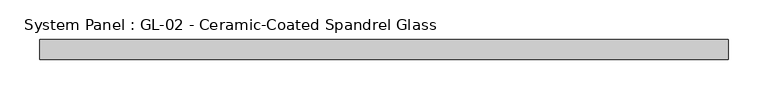
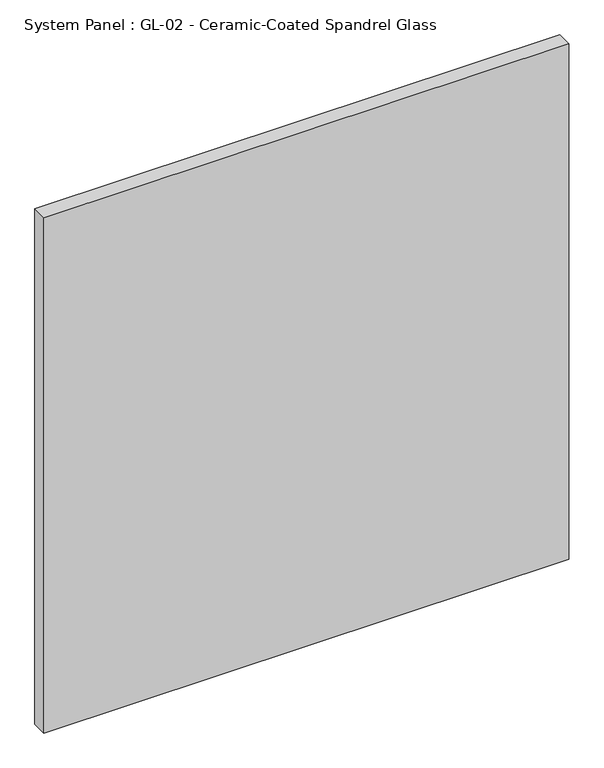
"""IFC4 building model written with IfcOpenShell, lengths in millimetres: plate geometry, System Panel : GL-02 - Ceramic-Coated Spandrel Glass."""

import ifcopenshell
import ifcopenshell.guid

model = None  # the IFC model being written
_history = None  # IfcOwnerHistory: only IFC2X3 demands one
_inside = {}  # id of a spatial element -> (the spatial element, [elements in it])
_under = {}  # id of a project, library or spatial element -> (it, [spatial elements below it])
_declared = {}  # id of a project -> (the project, [libraries it declares])
_typed = {}  # id of a type object -> (the type object, [elements of that type])
_made_of = {}  # id of a material, layer set ... -> (it, [elements and type objects made of it])


def new_model(schema):
    """Start an empty IFC model of exactly this schema.

    Asked for "IFC4X3", IfcOpenShell would pick the latest addendum, in which some entities
    have other attributes; the version numbers below select the first issue.
    IFC2X3 requires an IfcOwnerHistory on every rooted entity: one is made here for all.
    """
    global model, _history
    if schema == "IFC4X3":
        model = ifcopenshell.file(schema_version=(4, 3, 0, 0))
    else:
        model = ifcopenshell.file(schema=schema)
    _inside.clear()
    _under.clear()
    _declared.clear()
    _typed.clear()
    _made_of.clear()
    _history = None
    if model.schema == "IFC2X3":
        org = make("IfcOrganization", Name="unknown")
        user = make(
            "IfcPersonAndOrganization",
            ThePerson=make("IfcPerson", FamilyName="unknown"),
            TheOrganization=org,
        )
        app = make(
            "IfcApplication",
            ApplicationDeveloper=org,
            Version="unknown",
            ApplicationFullName="unknown",
            ApplicationIdentifier="unknown",
        )
        _history = make(
            "IfcOwnerHistory",
            OwningUser=user,
            OwningApplication=app,
            ChangeAction="ADDED",
            CreationDate=0,
        )
    return model


def make(cls, **values):
    """One entity of the class cls with the attributes given. An attribute that is None is left unset."""
    return model.create_entity(
        cls, **{name: value for name, value in values.items() if value is not None}
    )


def rooted(cls, **values):
    """An entity with a GlobalId (a new one), such as an element, a storey or a relation."""
    return make(cls, GlobalId=ifcopenshell.guid.new(), OwnerHistory=_history, **values)


def si_unit(unit_type, name, prefix=None):
    """IfcSIUnit, for example si_unit("LENGTHUNIT", "METRE", prefix="MILLI")."""
    return make("IfcSIUnit", UnitType=unit_type, Prefix=prefix, Name=name)


def assignment(units):
    """IfcUnitAssignment: the units of a project."""
    return None if units is None else make("IfcUnitAssignment", Units=units)


def point(xyz):
    """IfcCartesianPoint."""
    return None if xyz is None else make("IfcCartesianPoint", Coordinates=xyz)


def direction(xyz):
    """IfcDirection."""
    return None if xyz is None else make("IfcDirection", DirectionRatios=xyz)


def frame(location, z_axis=None, x_axis=None):
    """IfcAxis2Placement3D, a coordinate frame: its origin and axes. An axis left out is left unset."""
    return make(
        "IfcAxis2Placement3D",
        Location=point(location),
        Axis=direction(z_axis),
        RefDirection=direction(x_axis),
    )


def origin():
    """The frame at (0, 0, 0) with its axes left unset."""
    return frame((0.0, 0.0, 0.0))


def origin_with_axes():
    """The frame at (0, 0, 0) with the z axis (0, 0, 1) and the x axis (1, 0, 0) written out."""
    return frame((0.0, 0.0, 0.0), z_axis=(0.0, 0.0, 1.0), x_axis=(1.0, 0.0, 0.0))


def place(relative_to, where):
    """IfcLocalPlacement: puts the frame where relative to a parent placement (None: the world)."""
    return make(
        "IfcLocalPlacement", PlacementRelTo=relative_to, RelativePlacement=where
    )


def context(
    kind, dimensions, precision=None, world=None, true_north=None, identifier=None
):
    """IfcGeometricRepresentationContext, for example the 3D "Model" context."""
    return make(
        "IfcGeometricRepresentationContext",
        ContextIdentifier=identifier,
        ContextType=kind,
        CoordinateSpaceDimension=dimensions,
        Precision=precision,
        WorldCoordinateSystem=world,
        TrueNorth=true_north,
    )


def project(units=None, contexts=None):
    """IfcProject with its units and contexts."""
    return rooted(
        "IfcProject",
        Name="project",
        RepresentationContexts=contexts,
        UnitsInContext=assignment(units),
    )


def spatial(cls, under=None, at=None, **own):
    """A site, building, storey or space (cls), placed at a placement, below another one or the project."""
    s = rooted(cls, ObjectPlacement=at, **own)
    if under is not None:
        _under.setdefault(under.id(), (under, []))[1].append(s)
    return s


def polyline(points):
    """IfcPolyline through the points."""
    return make("IfcPolyline", Points=[point(p) for p in points])


def outline(outer, holes=None, kind="AREA"):
    """IfcArbitraryClosedProfileDef: a profile drawn as a closed curve; with holes, ...WithVoids."""
    if holes is None:
        return make("IfcArbitraryClosedProfileDef", ProfileType=kind, OuterCurve=outer)
    return make(
        "IfcArbitraryProfileDefWithVoids",
        ProfileType=kind,
        OuterCurve=outer,
        InnerCurves=holes,
    )


def extrude(swept, where, along, depth):
    """IfcExtrudedAreaSolid: the profile swept, set in the frame where, extruded along a direction by depth."""
    return make(
        "IfcExtrudedAreaSolid",
        SweptArea=swept,
        Position=where,
        ExtrudedDirection=direction(along),
        Depth=depth,
    )


def shape(context_of_items, identifier, shape_type, items):
    """IfcShapeRepresentation: the items that make up one representation, for example the "Body"."""
    return make(
        "IfcShapeRepresentation",
        ContextOfItems=context_of_items,
        RepresentationIdentifier=identifier,
        RepresentationType=shape_type,
        Items=items,
    )


def source(mapping_origin, context_of_items, identifier, shape_type, items):
    """IfcRepresentationMap: a shape defined once, which mapped items show again and again."""
    return make(
        "IfcRepresentationMap",
        MappingOrigin=mapping_origin,
        MappedRepresentation=shape(context_of_items, identifier, shape_type, items),
    )


def transform(
    local_origin,
    x_axis=None,
    y_axis=None,
    z_axis=None,
    scale=None,
    scale2=None,
    scale3=None,
    uniform=True,
):
    """IfcCartesianTransformationOperator3D, or its non-uniform kind. x_axis, y_axis, z_axis: its Axis1, 2, 3."""
    if uniform:
        return make(
            "IfcCartesianTransformationOperator3D",
            Axis1=direction(x_axis),
            Axis2=direction(y_axis),
            LocalOrigin=point(local_origin),
            Scale=scale,
            Axis3=direction(z_axis),
        )
    return make(
        "IfcCartesianTransformationOperator3DnonUniform",
        Axis1=direction(x_axis),
        Axis2=direction(y_axis),
        LocalOrigin=point(local_origin),
        Scale=scale,
        Axis3=direction(z_axis),
        Scale2=scale2,
        Scale3=scale3,
    )


def mapped(mapping_source, mapping_target):
    """IfcMappedItem: shows the shape of a source again, moved by a transform."""
    return make(
        "IfcMappedItem", MappingSource=mapping_source, MappingTarget=mapping_target
    )


def made_of(thing, what):
    """Note that an element or type object is made of a material, layer set ...; save() writes the relation."""
    if what is not None:
        _made_of.setdefault(what.id(), (what, []))[1].append(thing)
    return thing


def element(
    cls,
    number,
    at=None,
    inside=None,
    cuts=None,
    type_object=None,
    material=None,
    context=None,
    identifier="Body",
    shape_type=None,
    held_by="IfcProductDefinitionShape",
    body=None,
    shapes=None,
    **own,
):
    """One element of the class cls, such as IfcWall. Its Tag is "e" and its number.

    at: its placement. inside: the storey or other place that contains it. cuts: it is an
    opening in that element (IfcRelVoidsElement). A single representation is given by context,
    identifier, shape_type and body (its items); several are given by shapes. held_by: the class
    of the entity that holds the representations. save() writes the other relations.
    """
    e = rooted(cls, Tag="e%d" % number, ObjectPlacement=at, **own)
    if body is not None:
        shapes = [shape(context, identifier, shape_type, body)]
    if shapes is not None:
        e.Representation = make(held_by, Representations=shapes)
    if inside is not None:
        _inside.setdefault(inside.id(), (inside, []))[1].append(e)
    if cuts is not None:
        rooted(
            "IfcRelVoidsElement", RelatingBuildingElement=cuts, RelatedOpeningElement=e
        )
    if type_object is not None:
        _typed.setdefault(type_object.id(), (type_object, []))[1].append(e)
    return made_of(e, material)


def aggregate(whole, parts):
    """IfcRelAggregates: a whole, such as a stair, and the parts it consists of."""
    return rooted("IfcRelAggregates", RelatingObject=whole, RelatedObjects=parts)


def save(model, path):
    """Write the relations noted so far, then the file.

    IfcRelAggregates (storeys below a building ...), IfcRelContainedInSpatialStructure (elements
    in a storey), IfcRelDefinesByType, IfcRelAssociatesMaterial and IfcRelDeclares: one each for
    every whole, place, type object, material and project.
    """
    for whole, parts in _under.values():
        aggregate(whole, parts)
    for where, things in _inside.values():
        rooted(
            "IfcRelContainedInSpatialStructure",
            RelatedElements=things,
            RelatingStructure=where,
        )
    for kind, things in _typed.values():
        rooted("IfcRelDefinesByType", RelatedObjects=things, RelatingType=kind)
    for what, things in _made_of.values():
        rooted("IfcRelAssociatesMaterial", RelatedObjects=things, RelatingMaterial=what)
    for by, libraries in _declared.values():
        rooted("IfcRelDeclares", RelatingContext=by, RelatedDefinitions=libraries)
    model.write(path)


def system_panel_gl_02_ceramic_coated_spandrel_glass_3de510e4(model_context):
    return source(origin(), model_context, "Body", "SweptSolid", [
        extrude(outline(polyline([(436.0333333, 19.05), (-436.0333333, 19.05), (-436.0333333, 44.45), (436.0333333, 44.45), (436.0333333, 19.05)])), origin_with_axes(), (0.0, 0.0, 1.0), 905.6076923),
    ])


if __name__ == "__main__":
    model = new_model("IFC4")
    model_context = context("Model", 3, world=origin())
    ifc_project = project(units=[si_unit("LENGTHUNIT", "METRE", prefix="MILLI")], contexts=[model_context])
    site = spatial("IfcSite", under=ifc_project)
    building = spatial("IfcBuilding", under=site)
    placement = place(None, origin())
    system_panel_gl_02_ceramic_coated_spandrel_glass_shape = system_panel_gl_02_ceramic_coated_spandrel_glass_3de510e4(model_context)
    element("IfcPlate", 1, ObjectType="System Panel : GL-02 - Ceramic-Coated Spandrel Glass", at=placement, inside=building, context=model_context, shape_type="MappedRepresentation", body=[
        mapped(system_panel_gl_02_ceramic_coated_spandrel_glass_shape, transform((0.0, 0.0, 0.0), x_axis=(1.0, 0.0, 0.0), y_axis=(0.0, 1.0, 0.0), z_axis=(0.0, 0.0, 1.0))),
    ])
    save(model, "model.ifc")
